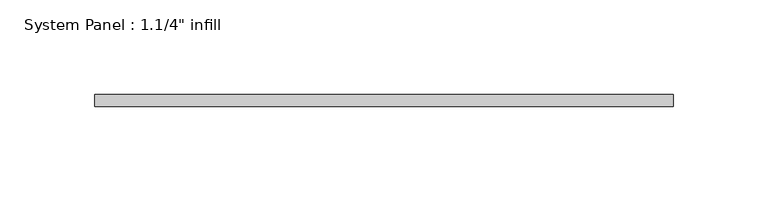
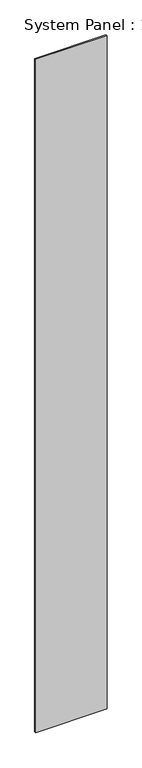
"""IFC4 building model written with IfcOpenShell, lengths in millimetres: plate geometry."""

from ifc_helpers import new_model, si_unit, origin, origin_with_axes, place, context, project, spatial, polyline, outline, extrude, source, transform, mapped, element, save


def plate_4613b070(model_context):
    return source(origin(), model_context, "Body", "SweptSolid", [
        extrude(outline(polyline([(153.0369493, -6.2507813), (-153.0369493, -6.2507813), (-153.0369493, 0.0992187), (153.0369493, 0.0992187), (153.0369493, -6.2507813)])), origin_with_axes(), (0.0, 0.0, 1.0), 3048.0),
    ])


if __name__ == "__main__":
    model = new_model("IFC4")
    model_context = context("Model", 3, world=origin())
    ifc_project = project(units=[si_unit("LENGTHUNIT", "METRE", prefix="MILLI")], contexts=[model_context])
    site = spatial("IfcSite", under=ifc_project)
    building = spatial("IfcBuilding", under=site)
    placement = place(None, origin())
    plate_shape = plate_4613b070(model_context)
    element("IfcPlate", 1, ObjectType="System Panel : 1.1/4\" infill", at=placement, inside=building, context=model_context, shape_type="MappedRepresentation", body=[
        mapped(plate_shape, transform((0.0, 0.0, 0.0), x_axis=(1.0, 0.0, 0.0), y_axis=(0.0, 1.0, 0.0), z_axis=(0.0, 0.0, 1.0))),
    ])
    save(model, "model.ifc")
